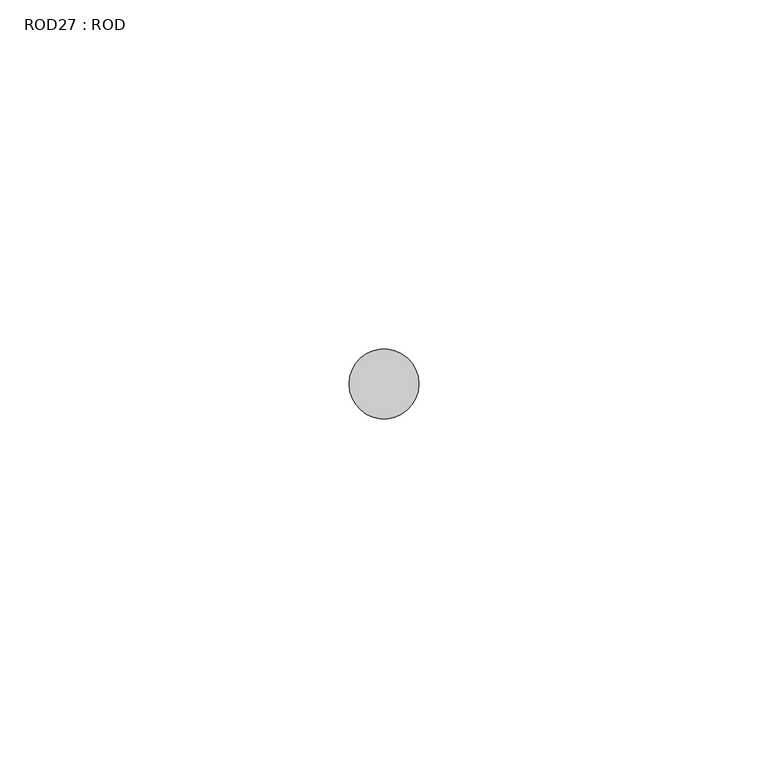
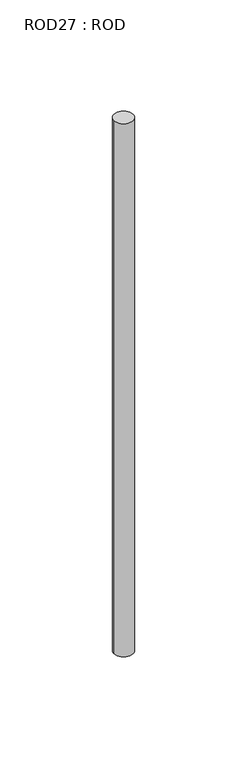
"""IFC4 building model written with IfcOpenShell, lengths in millimetres: proxy geometry, ROD27 : ROD."""

import ifcopenshell
import ifcopenshell.guid

model = None  # the IFC model being written
_history = None  # IfcOwnerHistory: only IFC2X3 demands one
_inside = {}  # id of a spatial element -> (the spatial element, [elements in it])
_under = {}  # id of a project, library or spatial element -> (it, [spatial elements below it])
_declared = {}  # id of a project -> (the project, [libraries it declares])
_typed = {}  # id of a type object -> (the type object, [elements of that type])
_made_of = {}  # id of a material, layer set ... -> (it, [elements and type objects made of it])


def new_model(schema):
    """Start an empty IFC model of exactly this schema.

    Asked for "IFC4X3", IfcOpenShell would pick the latest addendum, in which some entities
    have other attributes; the version numbers below select the first issue.
    IFC2X3 requires an IfcOwnerHistory on every rooted entity: one is made here for all.
    """
    global model, _history
    if schema == "IFC4X3":
        model = ifcopenshell.file(schema_version=(4, 3, 0, 0))
    else:
        model = ifcopenshell.file(schema=schema)
    _inside.clear()
    _under.clear()
    _declared.clear()
    _typed.clear()
    _made_of.clear()
    _history = None
    if model.schema == "IFC2X3":
        org = make("IfcOrganization", Name="unknown")
        user = make(
            "IfcPersonAndOrganization",
            ThePerson=make("IfcPerson", FamilyName="unknown"),
            TheOrganization=org,
        )
        app = make(
            "IfcApplication",
            ApplicationDeveloper=org,
            Version="unknown",
            ApplicationFullName="unknown",
            ApplicationIdentifier="unknown",
        )
        _history = make(
            "IfcOwnerHistory",
            OwningUser=user,
            OwningApplication=app,
            ChangeAction="ADDED",
            CreationDate=0,
        )
    return model


def make(cls, **values):
    """One entity of the class cls with the attributes given. An attribute that is None is left unset."""
    return model.create_entity(
        cls, **{name: value for name, value in values.items() if value is not None}
    )


def rooted(cls, **values):
    """An entity with a GlobalId (a new one), such as an element, a storey or a relation."""
    return make(cls, GlobalId=ifcopenshell.guid.new(), OwnerHistory=_history, **values)


def si_unit(unit_type, name, prefix=None):
    """IfcSIUnit, for example si_unit("LENGTHUNIT", "METRE", prefix="MILLI")."""
    return make("IfcSIUnit", UnitType=unit_type, Prefix=prefix, Name=name)


def assignment(units):
    """IfcUnitAssignment: the units of a project."""
    return None if units is None else make("IfcUnitAssignment", Units=units)


def point(xyz):
    """IfcCartesianPoint."""
    return None if xyz is None else make("IfcCartesianPoint", Coordinates=xyz)


def direction(xyz):
    """IfcDirection."""
    return None if xyz is None else make("IfcDirection", DirectionRatios=xyz)


def frame(location, z_axis=None, x_axis=None):
    """IfcAxis2Placement3D, a coordinate frame: its origin and axes. An axis left out is left unset."""
    return make(
        "IfcAxis2Placement3D",
        Location=point(location),
        Axis=direction(z_axis),
        RefDirection=direction(x_axis),
    )


def frame_2d(location, x_axis=None):
    """IfcAxis2Placement2D, a coordinate frame in the plane: its origin and x axis."""
    return make(
        "IfcAxis2Placement2D", Location=point(location), RefDirection=direction(x_axis)
    )


def origin():
    """The frame at (0, 0, 0) with its axes left unset."""
    return frame((0.0, 0.0, 0.0))


def place(relative_to, where):
    """IfcLocalPlacement: puts the frame where relative to a parent placement (None: the world)."""
    return make(
        "IfcLocalPlacement", PlacementRelTo=relative_to, RelativePlacement=where
    )


def context(
    kind, dimensions, precision=None, world=None, true_north=None, identifier=None
):
    """IfcGeometricRepresentationContext, for example the 3D "Model" context."""
    return make(
        "IfcGeometricRepresentationContext",
        ContextIdentifier=identifier,
        ContextType=kind,
        CoordinateSpaceDimension=dimensions,
        Precision=precision,
        WorldCoordinateSystem=world,
        TrueNorth=true_north,
    )


def project(units=None, contexts=None):
    """IfcProject with its units and contexts."""
    return rooted(
        "IfcProject",
        Name="project",
        RepresentationContexts=contexts,
        UnitsInContext=assignment(units),
    )


def spatial(cls, under=None, at=None, **own):
    """A site, building, storey or space (cls), placed at a placement, below another one or the project."""
    s = rooted(cls, ObjectPlacement=at, **own)
    if under is not None:
        _under.setdefault(under.id(), (under, []))[1].append(s)
    return s


def circle_curve(where, radius):
    """IfcCircle in the frame where."""
    return make("IfcCircle", Position=where, Radius=radius)


def trimmed(basis, trim1, trim2, sense, master):
    """IfcTrimmedCurve: the piece of a basis curve between two trims."""
    return make(
        "IfcTrimmedCurve",
        BasisCurve=basis,
        Trim1=trim1,
        Trim2=trim2,
        SenseAgreement=sense,
        MasterRepresentation=master,
    )


def segment(curve, same_sense, transition):
    """IfcCompositeCurveSegment."""
    return make(
        "IfcCompositeCurveSegment",
        Transition=transition,
        SameSense=same_sense,
        ParentCurve=curve,
    )


def composite_curve(segments, self_intersect=None):
    """IfcCompositeCurve: segments joined end to end."""
    return make("IfcCompositeCurve", Segments=segments, SelfIntersect=self_intersect)


def outline(outer, holes=None, kind="AREA"):
    """IfcArbitraryClosedProfileDef: a profile drawn as a closed curve; with holes, ...WithVoids."""
    if holes is None:
        return make("IfcArbitraryClosedProfileDef", ProfileType=kind, OuterCurve=outer)
    return make(
        "IfcArbitraryProfileDefWithVoids",
        ProfileType=kind,
        OuterCurve=outer,
        InnerCurves=holes,
    )


def extrude(swept, where, along, depth):
    """IfcExtrudedAreaSolid: the profile swept, set in the frame where, extruded along a direction by depth."""
    return make(
        "IfcExtrudedAreaSolid",
        SweptArea=swept,
        Position=where,
        ExtrudedDirection=direction(along),
        Depth=depth,
    )


def shape(context_of_items, identifier, shape_type, items):
    """IfcShapeRepresentation: the items that make up one representation, for example the "Body"."""
    return make(
        "IfcShapeRepresentation",
        ContextOfItems=context_of_items,
        RepresentationIdentifier=identifier,
        RepresentationType=shape_type,
        Items=items,
    )


def source(mapping_origin, context_of_items, identifier, shape_type, items):
    """IfcRepresentationMap: a shape defined once, which mapped items show again and again."""
    return make(
        "IfcRepresentationMap",
        MappingOrigin=mapping_origin,
        MappedRepresentation=shape(context_of_items, identifier, shape_type, items),
    )


def transform(
    local_origin,
    x_axis=None,
    y_axis=None,
    z_axis=None,
    scale=None,
    scale2=None,
    scale3=None,
    uniform=True,
):
    """IfcCartesianTransformationOperator3D, or its non-uniform kind. x_axis, y_axis, z_axis: its Axis1, 2, 3."""
    if uniform:
        return make(
            "IfcCartesianTransformationOperator3D",
            Axis1=direction(x_axis),
            Axis2=direction(y_axis),
            LocalOrigin=point(local_origin),
            Scale=scale,
            Axis3=direction(z_axis),
        )
    return make(
        "IfcCartesianTransformationOperator3DnonUniform",
        Axis1=direction(x_axis),
        Axis2=direction(y_axis),
        LocalOrigin=point(local_origin),
        Scale=scale,
        Axis3=direction(z_axis),
        Scale2=scale2,
        Scale3=scale3,
    )


def mapped(mapping_source, mapping_target):
    """IfcMappedItem: shows the shape of a source again, moved by a transform."""
    return make(
        "IfcMappedItem", MappingSource=mapping_source, MappingTarget=mapping_target
    )


def made_of(thing, what):
    """Note that an element or type object is made of a material, layer set ...; save() writes the relation."""
    if what is not None:
        _made_of.setdefault(what.id(), (what, []))[1].append(thing)
    return thing


def element(
    cls,
    number,
    at=None,
    inside=None,
    cuts=None,
    type_object=None,
    material=None,
    context=None,
    identifier="Body",
    shape_type=None,
    held_by="IfcProductDefinitionShape",
    body=None,
    shapes=None,
    **own,
):
    """One element of the class cls, such as IfcWall. Its Tag is "e" and its number.

    at: its placement. inside: the storey or other place that contains it. cuts: it is an
    opening in that element (IfcRelVoidsElement). A single representation is given by context,
    identifier, shape_type and body (its items); several are given by shapes. held_by: the class
    of the entity that holds the representations. save() writes the other relations.
    """
    e = rooted(cls, Tag="e%d" % number, ObjectPlacement=at, **own)
    if body is not None:
        shapes = [shape(context, identifier, shape_type, body)]
    if shapes is not None:
        e.Representation = make(held_by, Representations=shapes)
    if inside is not None:
        _inside.setdefault(inside.id(), (inside, []))[1].append(e)
    if cuts is not None:
        rooted(
            "IfcRelVoidsElement", RelatingBuildingElement=cuts, RelatedOpeningElement=e
        )
    if type_object is not None:
        _typed.setdefault(type_object.id(), (type_object, []))[1].append(e)
    return made_of(e, material)


def aggregate(whole, parts):
    """IfcRelAggregates: a whole, such as a stair, and the parts it consists of."""
    return rooted("IfcRelAggregates", RelatingObject=whole, RelatedObjects=parts)


def save(model, path):
    """Write the relations noted so far, then the file.

    IfcRelAggregates (storeys below a building ...), IfcRelContainedInSpatialStructure (elements
    in a storey), IfcRelDefinesByType, IfcRelAssociatesMaterial and IfcRelDeclares: one each for
    every whole, place, type object, material and project.
    """
    for whole, parts in _under.values():
        aggregate(whole, parts)
    for where, things in _inside.values():
        rooted(
            "IfcRelContainedInSpatialStructure",
            RelatedElements=things,
            RelatingStructure=where,
        )
    for kind, things in _typed.values():
        rooted("IfcRelDefinesByType", RelatedObjects=things, RelatingType=kind)
    for what, things in _made_of.values():
        rooted("IfcRelAssociatesMaterial", RelatedObjects=things, RelatingMaterial=what)
    for by, libraries in _declared.values():
        rooted("IfcRelDeclares", RelatingContext=by, RelatedDefinitions=libraries)
    model.write(path)


def rod27_rod_6c3a3ae3(model_context):
    return source(origin(), model_context, "Body", "SweptSolid", [
        extrude(outline(composite_curve([segment(trimmed(circle_curve(frame_2d((-3207.2215616, -1114.6300853)), 5.0), [point((-3212.2215616, -1114.6300853))], [point((-3202.2215616, -1114.6300853))], False, "CARTESIAN"), True, "CONTINUOUS"), segment(trimmed(circle_curve(frame_2d((-3207.2215616, -1114.6300853)), 5.0), [point((-3202.2215616, -1114.6300853))], [point((-3212.2215616, -1114.6300853))], False, "CARTESIAN"), True, "CONTINUOUS")], self_intersect=False)), frame((0.0, 0.0, -208.6608845), z_axis=(0.0, 0.0, 1.0), x_axis=(1.0, 0.0, 0.0)), (0.0, 0.0, 1.0), 298.9028972),
    ])


if __name__ == "__main__":
    model = new_model("IFC4")
    model_context = context("Model", 3, world=origin())
    ifc_project = project(units=[si_unit("LENGTHUNIT", "METRE", prefix="MILLI")], contexts=[model_context])
    site = spatial("IfcSite", under=ifc_project)
    building = spatial("IfcBuilding", under=site)
    placement = place(None, origin())
    rod27_rod_shape = rod27_rod_6c3a3ae3(model_context)
    element("IfcBuildingElementProxy", 1, Name="ROD27 : ROD", ObjectType="ROD27 : ROD", at=placement, inside=building, context=model_context, shape_type="MappedRepresentation", body=[
        mapped(rod27_rod_shape, transform((0.0, 0.0, 0.0), x_axis=(1.0, 0.0, 0.0), y_axis=(0.0, 1.0, 0.0), z_axis=(0.0, 0.0, 1.0))),
    ])
    save(model, "model.ifc")
